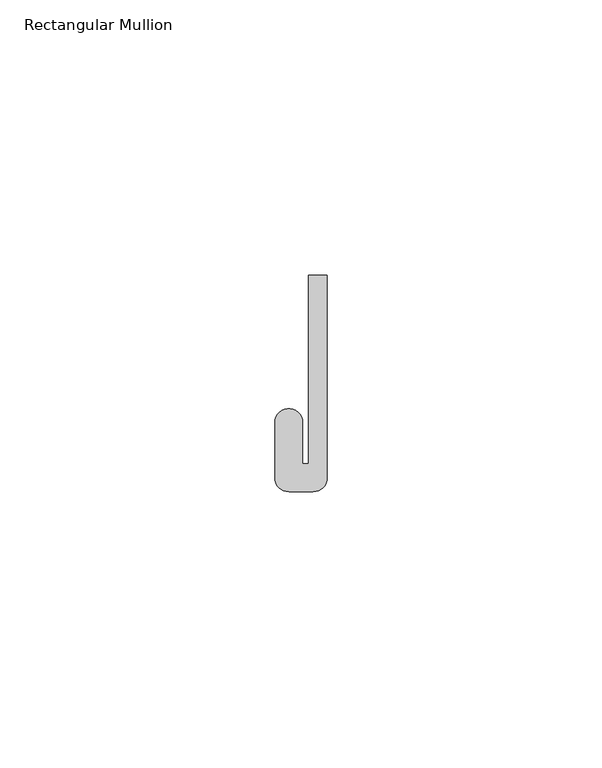
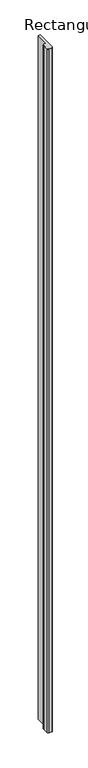
"""IFC4 building model written with IfcOpenShell, lengths in millimetres: member geometry, Rectangular Mullion."""

from ifc_helpers import new_model, si_unit, point, frame, frame_2d, origin, place, context, project, spatial, polyline, circle_curve, trimmed, segment, composite_curve, outline, extrude, source, transform, mapped, element, save


def rectangular_mullion_fdfbbcc3(model_context):
    return source(origin(), model_context, "Body", "SweptSolid", [
        extrude(outline(composite_curve([segment(polyline([(-1.651, -33.7200875), (-1.651, 0.5953125), (1.778, 0.5953125), (1.778, -36.2600875)]), True, "CONTINUOUS"), segment(trimmed(circle_curve(frame_2d((-0.762, -36.2600875)), 2.54), [point((1.778, -36.2600875))], [point((-0.762, -38.8000875))], False, "CARTESIAN"), True, "CONTINUOUS"), segment(polyline([(-0.762, -38.8000875), (-5.207, -38.8000875)]), True, "CONTINUOUS"), segment(trimmed(circle_curve(frame_2d((-5.207, -36.2600875)), 2.54), [point((-5.207, -38.8000875))], [point((-7.747, -36.2600875))], False, "CARTESIAN"), True, "CONTINUOUS"), segment(polyline([(-7.747, -36.2600875), (-7.747, -26.2270875)]), True, "CONTINUOUS"), segment(trimmed(circle_curve(frame_2d((-5.207, -26.2270875)), 2.54), [point((-7.747, -26.2270875))], [point((-2.667, -26.2270875))], False, "CARTESIAN"), True, "CONTINUOUS"), segment(polyline([(-2.667, -26.2270875), (-2.667, -33.7200875), (-1.651, -33.7200875)]), True, "CONTINUOUS")], self_intersect=False)), frame((0.0, 0.0, -1285.875), z_axis=(0.0, 0.0, 1.0), x_axis=(1.0, 0.0, 0.0)), (0.0, 0.0, 1.0), 1285.875),
    ])


if __name__ == "__main__":
    model = new_model("IFC4")
    model_context = context("Model", 3, world=origin())
    ifc_project = project(units=[si_unit("LENGTHUNIT", "METRE", prefix="MILLI")], contexts=[model_context])
    site = spatial("IfcSite", under=ifc_project)
    building = spatial("IfcBuilding", under=site)
    placement = place(None, origin())
    rectangular_mullion_shape = rectangular_mullion_fdfbbcc3(model_context)
    element("IfcMember", 1, ObjectType="Rectangular Mullion", at=placement, inside=building, context=model_context, shape_type="MappedRepresentation", body=[
        mapped(rectangular_mullion_shape, transform((0.0, 0.0, 0.0), x_axis=(1.0, 0.0, 0.0), y_axis=(0.0, 1.0, 0.0), z_axis=(0.0, 0.0, 1.0))),
    ])
    save(model, "model.ifc")
